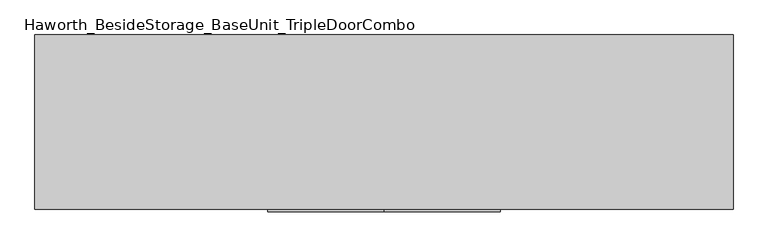
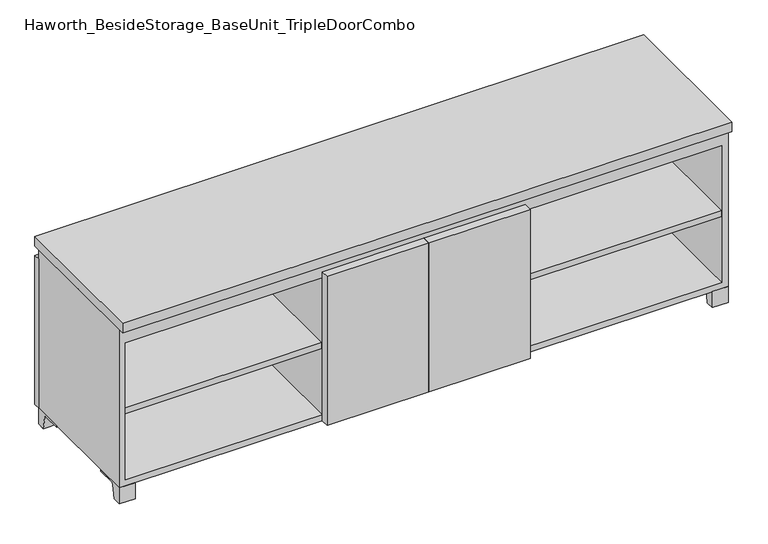
"""IFC4 building model written with IfcOpenShell, lengths in millimetres: furniture geometry, Haworth_BesideStorage_BaseUnit_TripleDoorCombo."""

from ifc_helpers import new_model, si_unit, point, frame, frame_2d, origin, place, context, project, spatial, polyline, circle_curve, trimmed, segment, composite_curve, outline, extrude, source, transform, mapped, element, save


def haworth_besidestorage_baseunit_tripledoorcombo_32d00bd4(model_context):
    return source(origin(), model_context, "Body", "SweptSolid", [
        extrude(outline(polyline([(304.8069453, 241.3), (895.3569453, 241.3), (895.3569453, -142.875), (304.8069453, -142.875), (304.8069453, 241.3)])), frame((0.0, 0.0, 277.8125), z_axis=(0.0, 0.0, 1.0), x_axis=(1.0, 0.0, 0.0)), (0.0, 0.0, 1.0), 19.05),
        extrude(outline(polyline([(-304.7791641, 241.3), (-304.7791641, -142.875), (-895.3291641, -142.875), (-895.3291641, 241.3), (-304.7791641, 241.3)])), frame((0.0, 0.0, 277.8125), z_axis=(0.0, 0.0, 1.0), x_axis=(1.0, 0.0, 0.0)), (0.0, 0.0, 1.0), 19.05),
        extrude(outline(polyline([(285.7638906, 241.3), (285.7638906, -142.875), (-285.7361094, -142.875), (-285.7361094, 241.3), (285.7638906, 241.3)])), frame((0.0, 0.0, 277.8125), z_axis=(0.0, 0.0, 1.0), x_axis=(1.0, 0.0, 0.0)), (0.0, 0.0, 1.0), 19.05),
        extrude(outline(composite_curve([segment(polyline([(47.6249864, 0.0), (22.225, 0.0), (22.225, 50.8), (117.475, 50.8), (117.475, 46.0213321), (60.6744655, 46.0213321)]), True, "CONTINUOUS"), segment(trimmed(circle_curve(frame_2d((60.6744655, 39.6713321)), 6.35), [point((60.6744655, 46.0213321))], [point((54.4108641, 40.7152656))], True, "CARTESIAN"), True, "CONTINUOUS"), segment(polyline([(54.4108641, 40.7152656), (47.6249864, 0.0)]), True, "CONTINUOUS")], self_intersect=False)), frame((-23.7986094, 0.0, 0.0), z_axis=(1.0, 0.0, 0.0), x_axis=(0.0, 1.0, 0.0)), (0.0, 0.0, 1.0), 47.625),
        extrude(outline(polyline([(914.4138906, 292.1), (914.4138906, -165.1), (-914.3861094, -165.1), (-914.3861094, 292.1), (914.4138906, 292.1)])), frame((0.0, 0.0, 554.0375), z_axis=(0.0, 0.0, 1.0), x_axis=(1.0, 0.0, 0.0)), (0.0, 0.0, 1.0), 30.1625),
        extrude(outline(composite_curve([segment(polyline([(-120.6500136, 0.0), (-146.05, 0.0), (-146.05, 50.8), (-50.8, 50.8), (-50.8, 46.0213321), (-107.6005345, 46.0213321)]), True, "CONTINUOUS"), segment(trimmed(circle_curve(frame_2d((-107.6005345, 39.6713321)), 6.35), [point((-107.6005345, 46.0213321))], [point((-113.8641359, 40.7152656))], True, "CARTESIAN"), True, "CONTINUOUS"), segment(polyline([(-113.8641359, 40.7152656), (-120.6500136, 0.0)]), True, "CONTINUOUS")], self_intersect=False)), frame((866.7888906, 0.0, 0.0), z_axis=(1.0, 0.0, 0.0), x_axis=(0.0, 1.0, 0.0)), (0.0, 0.0, 1.0), 47.625),
        extrude(outline(composite_curve([segment(polyline([(247.6500136, 0.0), (240.8641359, 40.7152656)]), True, "CONTINUOUS"), segment(trimmed(circle_curve(frame_2d((234.6005345, 39.6713321)), 6.35), [point((240.8641359, 40.7152656))], [point((234.6005345, 46.0213321))], True, "CARTESIAN"), True, "CONTINUOUS"), segment(polyline([(234.6005345, 46.0213321), (177.8, 46.0213321), (177.8, 50.8), (273.05, 50.8), (273.05, 0.0), (247.6500136, 0.0)]), True, "CONTINUOUS")], self_intersect=False)), frame((866.7888906, 0.0, 0.0), z_axis=(1.0, 0.0, 0.0), x_axis=(0.0, 1.0, 0.0)), (0.0, 0.0, 1.0), 47.625),
        extrude(outline(composite_curve([segment(polyline([(-120.6500136, 0.0), (-146.05, 0.0), (-146.05, 50.8), (-50.8, 50.8), (-50.8, 46.0213321), (-107.6005345, 46.0213321)]), True, "CONTINUOUS"), segment(trimmed(circle_curve(frame_2d((-107.6005345, 39.6713321)), 6.35), [point((-107.6005345, 46.0213321))], [point((-113.8641359, 40.7152656))], True, "CARTESIAN"), True, "CONTINUOUS"), segment(polyline([(-113.8641359, 40.7152656), (-120.6500136, 0.0)]), True, "CONTINUOUS")], self_intersect=False)), frame((-914.3861094, 0.0, 0.0), z_axis=(1.0, 0.0, 0.0), x_axis=(0.0, 1.0, 0.0)), (0.0, 0.0, 1.0), 47.625),
        extrude(outline(composite_curve([segment(polyline([(247.6500136, 0.0), (240.8641359, 40.7152656)]), True, "CONTINUOUS"), segment(trimmed(circle_curve(frame_2d((234.6005345, 39.6713321)), 6.35), [point((240.8641359, 40.7152656))], [point((234.6005345, 46.0213321))], True, "CARTESIAN"), True, "CONTINUOUS"), segment(polyline([(234.6005345, 46.0213321), (177.8, 46.0213321), (177.8, 50.8), (273.05, 50.8), (273.05, 0.0), (247.6500136, 0.0)]), True, "CONTINUOUS")], self_intersect=False)), frame((-914.3861094, 0.0, 0.0), z_axis=(1.0, 0.0, 0.0), x_axis=(0.0, 1.0, 0.0)), (0.0, 0.0, 1.0), 47.625),
        extrude(outline(polyline([(0.0138906, -171.45), (0.0138906, -146.05), (304.8138906, -146.05), (304.8138906, -171.45), (0.0138906, -171.45)])), frame((0.0, 0.0, 50.8), z_axis=(0.0, 0.0, 1.0), x_axis=(1.0, 0.0, 0.0)), (0.0, 0.0, 1.0), 473.075),
        extrude(outline(polyline([(0.0138906, -171.45), (-304.7861094, -171.45), (-304.7861094, -146.05), (0.0138906, -146.05), (0.0138906, -171.45)])), frame((0.0, 0.0, 50.8), z_axis=(0.0, 0.0, 1.0), x_axis=(1.0, 0.0, 0.0)), (0.0, 0.0, 1.0), 473.075),
        extrude(outline(polyline([(-888.9791641, -120.65), (-888.9791641, 247.65), (-873.1041641, 247.65), (-873.1041641, 73.025), (-7.9236094, 73.025), (-7.9236094, 247.65), (7.9513906, 247.65), (7.9513906, 73.025), (873.1111094, 73.025), (873.1111094, 247.65), (888.9861094, 247.65), (888.9861094, -120.65), (873.1111094, -120.65), (873.1111094, 53.975), (7.9513906, 53.975), (7.9513906, -120.65), (-7.9236094, -120.65), (-7.9236094, 53.975), (-873.1041641, 53.975), (-873.1041641, -120.65), (-888.9791641, -120.65)])), frame((0.0, 0.0, 523.875), z_axis=(0.0, 0.0, 1.0), x_axis=(1.0, 0.0, 0.0)), (0.0, 0.0, 1.0), 30.1625),
        extrude(outline(polyline([(304.8138906, 241.3), (304.8138906, -142.875), (285.7638906, -142.875), (285.7638906, 241.3), (304.8138906, 241.3)])), frame((0.0, 0.0, 69.85), z_axis=(0.0, 0.0, 1.0), x_axis=(1.0, 0.0, 0.0)), (0.0, 0.0, 1.0), 434.975),
        extrude(outline(polyline([(-285.7361094, 241.3), (-285.7361094, -142.875), (-304.7861094, -142.875), (-304.7861094, 241.3), (-285.7361094, 241.3)])), frame((0.0, 0.0, 69.85), z_axis=(0.0, 0.0, 1.0), x_axis=(1.0, 0.0, 0.0)), (0.0, 0.0, 1.0), 434.975),
        extrude(outline(polyline([(914.4138906, 273.05), (-914.3861094, 273.05), (-914.3861094, 292.1), (914.4138906, 292.1), (914.4138906, 273.05)])), frame((0.0, 0.0, 50.8), z_axis=(0.0, 0.0, 1.0), x_axis=(1.0, 0.0, 0.0)), (0.0, 0.0, 1.0), 473.075),
        extrude(outline(polyline([(50.8, -914.3861094), (50.8, 914.4138906), (554.0375, 914.4138906), (554.0375, -914.3861094), (50.8, -914.3861094)]), holes=[polyline([(69.85, -895.3361094), (504.825, -895.3361094), (504.825, 895.3569453), (69.85, 895.3569453), (69.85, -895.3361094)])]), frame((0.0, -146.05, 0.0), z_axis=(0.0, 1.0, 0.0), x_axis=(0.0, 0.0, 1.0)), (0.0, 0.0, 1.0), 419.1),
        extrude(outline(polyline([(-895.3291641, 241.3), (-895.3291641, 247.65), (895.3569453, 247.65), (895.3569453, 241.3), (-895.3291641, 241.3)])), frame((0.0, 0.0, 69.85), z_axis=(0.0, 0.0, 1.0), x_axis=(1.0, 0.0, 0.0)), (0.0, 0.0, 1.0), 434.975),
    ])


if __name__ == "__main__":
    model = new_model("IFC4")
    model_context = context("Model", 3, world=origin())
    ifc_project = project(units=[si_unit("LENGTHUNIT", "METRE", prefix="MILLI")], contexts=[model_context])
    site = spatial("IfcSite", under=ifc_project)
    building = spatial("IfcBuilding", under=site)
    placement = place(None, origin())
    haworth_besidestorage_baseunit_tripledoorcombo_shape = haworth_besidestorage_baseunit_tripledoorcombo_32d00bd4(model_context)
    element("IfcFurniture", 1, ObjectType="Haworth_BesideStorage_BaseUnit_TripleDoorCombo", at=placement, inside=building, context=model_context, shape_type="MappedRepresentation", body=[
        mapped(haworth_besidestorage_baseunit_tripledoorcombo_shape, transform((0.0, 0.0, 0.0), x_axis=(1.0, 0.0, 0.0), y_axis=(0.0, 1.0, 0.0), z_axis=(0.0, 0.0, 1.0))),
    ])
    save(model, "model.ifc")
